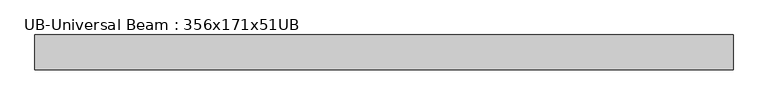
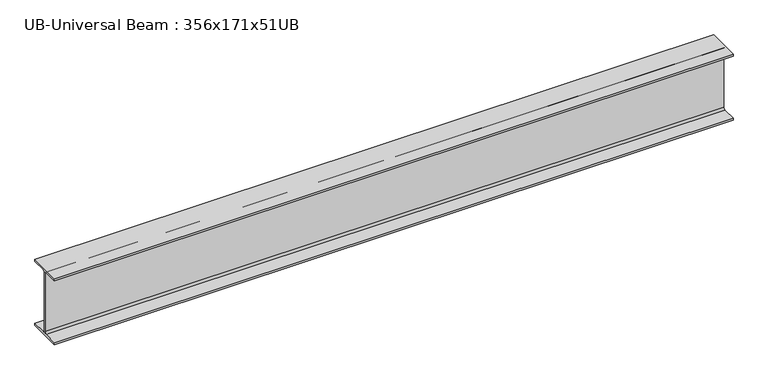
"""IFC4 building model written with IfcOpenShell, lengths in millimetres: beam geometry, UB-Universal Beam : 356x171x51UB."""

from ifc_helpers import new_model, si_unit, point, frame, frame_2d, origin, place, context, project, spatial, polyline, circle_curve, trimmed, segment, composite_curve, outline, extrude, source, transform, mapped, element, save


def ub_universal_beam_356x171x51ub_85315627(model_context):
    return source(origin(), model_context, "Body", "SweptSolid", [
        extrude(outline(composite_curve([segment(polyline([(85.75, -166.0), (85.75, -177.5), (-85.75, -177.5), (-85.75, -166.0), (-13.9, -166.0)]), True, "CONTINUOUS"), segment(trimmed(circle_curve(frame_2d((-13.9, -155.8)), 10.2), [point((-13.9, -166.0))], [point((-3.7, -155.8))], True, "CARTESIAN"), True, "CONTINUOUS"), segment(polyline([(-3.7, -155.8), (-3.7, 155.8)]), True, "CONTINUOUS"), segment(trimmed(circle_curve(frame_2d((-13.9, 155.8)), 10.2), [point((-3.7, 155.8))], [point((-13.9, 166.0))], True, "CARTESIAN"), True, "CONTINUOUS"), segment(polyline([(-13.9, 166.0), (-85.75, 166.0), (-85.75, 177.5), (85.75, 177.5), (85.75, 166.0), (13.9, 166.0)]), True, "CONTINUOUS"), segment(trimmed(circle_curve(frame_2d((13.9, 155.8)), 10.2), [point((13.9, 166.0))], [point((3.7, 155.8))], True, "CARTESIAN"), True, "CONTINUOUS"), segment(polyline([(3.7, 155.8), (3.7, -155.8)]), True, "CONTINUOUS"), segment(trimmed(circle_curve(frame_2d((13.9, -155.8)), 10.2), [point((3.7, -155.8))], [point((13.9, -166.0))], True, "CARTESIAN"), True, "CONTINUOUS"), segment(polyline([(13.9, -166.0), (85.75, -166.0)]), True, "CONTINUOUS")], self_intersect=False)), frame((-1751.3470079, 0.0, 0.0), z_axis=(1.0, 0.0, 0.0), x_axis=(0.0, 1.0, 0.0)), (0.0, 0.0, 1.0), 3443.4440158),
    ])


if __name__ == "__main__":
    model = new_model("IFC4")
    model_context = context("Model", 3, world=origin())
    ifc_project = project(units=[si_unit("LENGTHUNIT", "METRE", prefix="MILLI")], contexts=[model_context])
    site = spatial("IfcSite", under=ifc_project)
    building = spatial("IfcBuilding", under=site)
    placement = place(None, origin())
    ub_universal_beam_356x171x51ub_shape = ub_universal_beam_356x171x51ub_85315627(model_context)
    element("IfcBeam", 1, ObjectType="UB-Universal Beam : 356x171x51UB", at=placement, inside=building, context=model_context, shape_type="MappedRepresentation", body=[
        mapped(ub_universal_beam_356x171x51ub_shape, transform((0.0, 0.0, 0.0), x_axis=(1.0, 0.0, 0.0), y_axis=(0.0, 1.0, 0.0), z_axis=(0.0, 0.0, 1.0))),
    ])
    save(model, "model.ifc")
